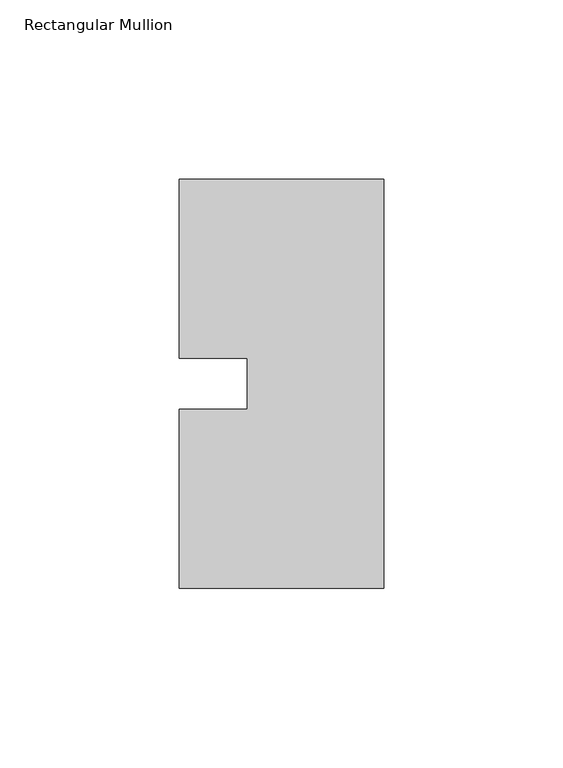
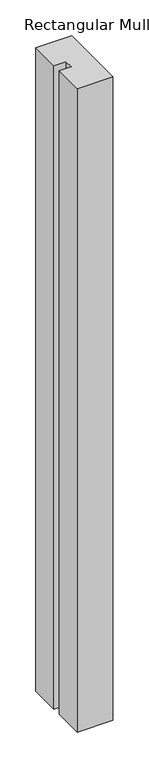
"""IFC4 building model written with IfcOpenShell, lengths in millimetres: member geometry, Rectangular Mullion."""

from ifc_helpers import new_model, si_unit, frame, origin, place, context, project, spatial, polyline, outline, extrude, source, transform, mapped, element, save


def rectangular_mullion_e6b79122(model_context):
    return source(origin(), model_context, "Body", "SweptSolid", [
        extrude(outline(polyline([(-57.15, 57.15), (0.0, 57.15), (0.0, -57.15), (-57.15, -57.15), (-57.15, -7.14375), (-38.1, -7.14375), (-38.1, 7.14375), (-57.15, 7.14375), (-57.15, 57.15)])), frame((0.0, 0.0, -1091.0405973), z_axis=(0.0, 0.0, 1.0), x_axis=(1.0, 0.0, 0.0)), (0.0, 0.0, 1.0), 1091.0405973),
    ])


if __name__ == "__main__":
    model = new_model("IFC4")
    model_context = context("Model", 3, world=origin())
    ifc_project = project(units=[si_unit("LENGTHUNIT", "METRE", prefix="MILLI")], contexts=[model_context])
    site = spatial("IfcSite", under=ifc_project)
    building = spatial("IfcBuilding", under=site)
    placement = place(None, origin())
    rectangular_mullion_shape = rectangular_mullion_e6b79122(model_context)
    element("IfcMember", 1, ObjectType="Rectangular Mullion", at=placement, inside=building, context=model_context, shape_type="MappedRepresentation", body=[
        mapped(rectangular_mullion_shape, transform((0.0, 0.0, 0.0), x_axis=(1.0, 0.0, 0.0), y_axis=(0.0, 1.0, 0.0), z_axis=(0.0, 0.0, 1.0))),
    ])
    save(model, "model.ifc")
